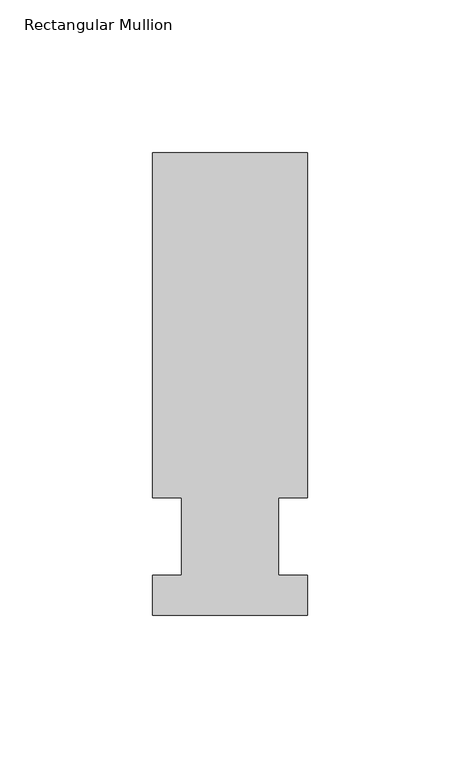
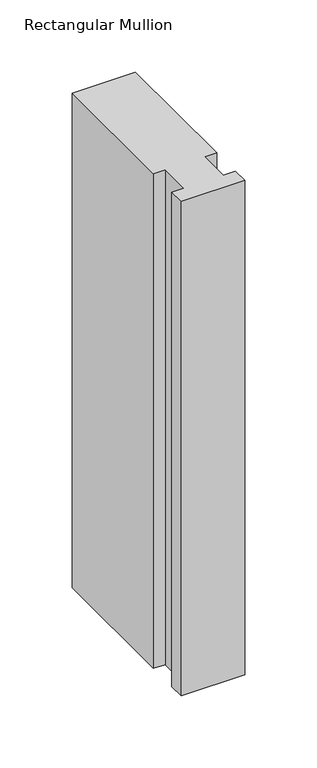
"""IFC4 building model written with IfcOpenShell, lengths in millimetres: member geometry, Rectangular Mullion."""

from ifc_helpers import new_model, si_unit, frame, origin, place, context, project, spatial, polyline, outline, extrude, source, transform, mapped, element, save


def rectangular_mullion_20f90795(model_context):
    return source(origin(), model_context, "Body", "SweptSolid", [
        extrude(outline(polyline([(-25.4, -25.796875), (-25.4, -12.7), (-15.875, -12.7), (-15.875, 12.7), (-25.4, 12.7), (-25.4, 125.809375), (25.4, 125.809375), (25.4, 12.7), (15.875, 12.7), (15.875, -12.7), (25.4, -12.7), (25.4, -25.796875), (-25.4, -25.796875)])), frame((0.0, 0.0, -419.1), z_axis=(0.0, 0.0, 1.0), x_axis=(1.0, 0.0, 0.0)), (0.0, 0.0, 1.0), 419.1),
    ])


if __name__ == "__main__":
    model = new_model("IFC4")
    model_context = context("Model", 3, world=origin())
    ifc_project = project(units=[si_unit("LENGTHUNIT", "METRE", prefix="MILLI")], contexts=[model_context])
    site = spatial("IfcSite", under=ifc_project)
    building = spatial("IfcBuilding", under=site)
    placement = place(None, origin())
    rectangular_mullion_shape = rectangular_mullion_20f90795(model_context)
    element("IfcMember", 1, ObjectType="Rectangular Mullion", at=placement, inside=building, context=model_context, shape_type="MappedRepresentation", body=[
        mapped(rectangular_mullion_shape, transform((0.0, 0.0, 0.0), x_axis=(1.0, 0.0, 0.0), y_axis=(0.0, 1.0, 0.0), z_axis=(0.0, 0.0, 1.0))),
    ])
    save(model, "model.ifc")
